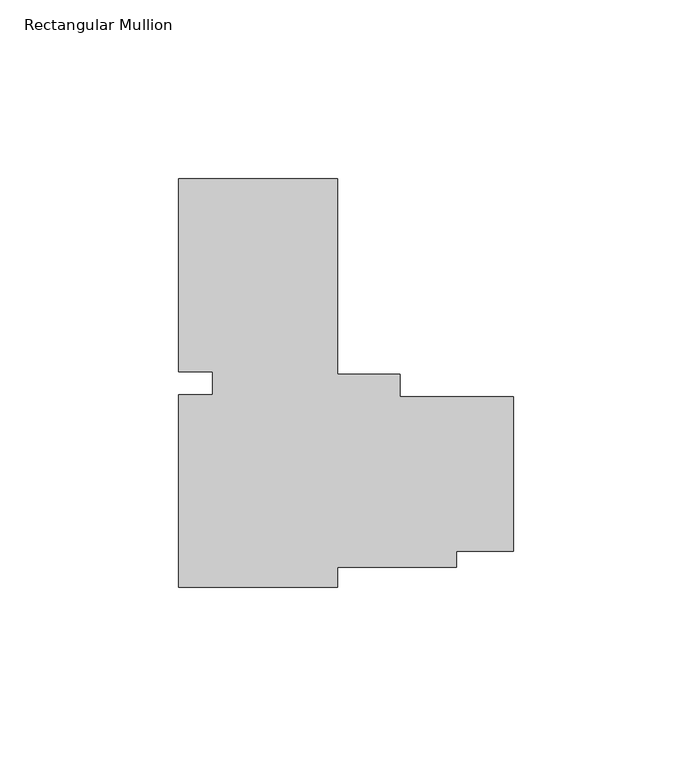
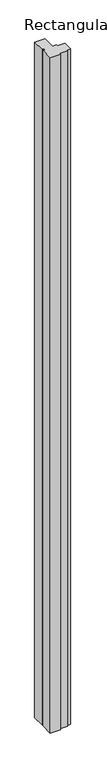
"""IFC4 building model written with IfcOpenShell, lengths in millimetres: member geometry, Rectangular Mullion."""

from ifc_helpers import new_model, si_unit, frame, origin, place, context, project, spatial, polyline, outline, extrude, source, transform, mapped, element, save


def rectangular_mullion_b8a091b4(model_context):
    return source(origin(), model_context, "Body", "SweptSolid", [
        extrude(outline(polyline([(-49.2252, 59.8664491), (-49.2252, 5.1980091), (-31.7528129, 5.1980091), (-31.7528129, -1.1524271), (0.0, -1.1524271), (0.0, -44.3261406), (-15.875, -44.3261406), (-15.875, -48.7774271), (-49.2252, -48.7774271), (-49.2252, -54.4335509), (-93.6752, -54.4335509), (-93.6752, -0.5344846), (-84.1502, -0.5344846), (-84.1502, 5.9057537), (-93.6752, 5.9057537), (-93.6752, 59.8664491), (-49.2252, 59.8664491)])), frame((0.0, 0.0, -3048.0), z_axis=(0.0, 0.0, 1.0), x_axis=(1.0, 0.0, 0.0)), (0.0, 0.0, 1.0), 3048.0),
    ])


if __name__ == "__main__":
    model = new_model("IFC4")
    model_context = context("Model", 3, world=origin())
    ifc_project = project(units=[si_unit("LENGTHUNIT", "METRE", prefix="MILLI")], contexts=[model_context])
    site = spatial("IfcSite", under=ifc_project)
    building = spatial("IfcBuilding", under=site)
    placement = place(None, origin())
    rectangular_mullion_shape = rectangular_mullion_b8a091b4(model_context)
    element("IfcMember", 1, ObjectType="Rectangular Mullion", at=placement, inside=building, context=model_context, shape_type="MappedRepresentation", body=[
        mapped(rectangular_mullion_shape, transform((0.0, 0.0, 0.0), x_axis=(1.0, 0.0, 0.0), y_axis=(0.0, 1.0, 0.0), z_axis=(0.0, 0.0, 1.0))),
    ])
    save(model, "model.ifc")
